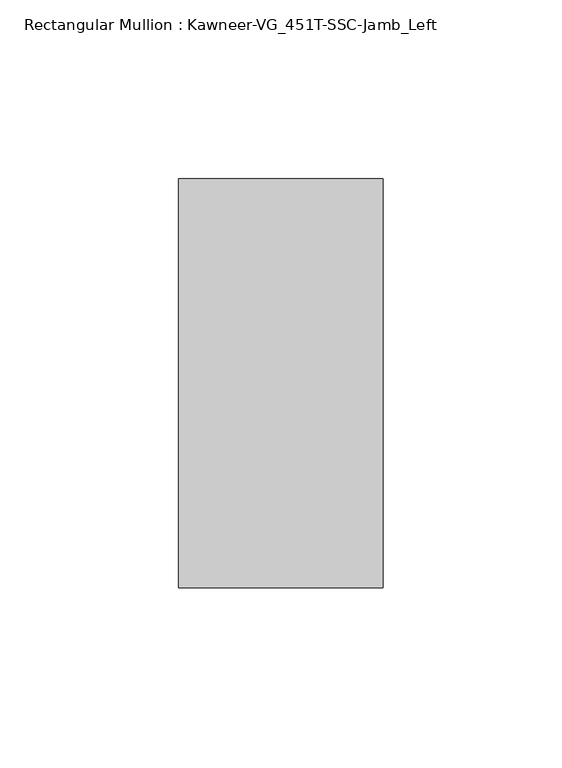
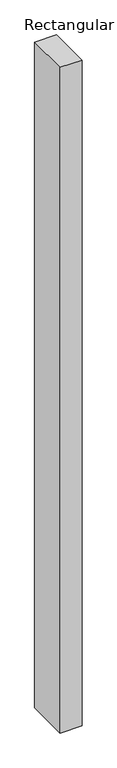
"""IFC4 building model written with IfcOpenShell, lengths in millimetres: member geometry, Rectangular Mullion : Kawneer-VG_451T-SSC-Jamb_Left."""

from ifc_helpers import new_model, si_unit, frame, origin, place, context, project, spatial, polyline, outline, extrude, source, transform, mapped, element, save


def rectangular_mullion_kawneer_vg_451t_ssc_jamb_left_6c2af602(model_context):
    return source(origin(), model_context, "Body", "SweptSolid", [
        extrude(outline(polyline([(-57.15, -57.15), (-57.15, 57.15), (0.0, 57.15), (0.0, -57.15), (-57.15, -57.15)])), frame((0.0, 0.0, -1828.8), z_axis=(0.0, 0.0, 1.0), x_axis=(1.0, 0.0, 0.0)), (0.0, 0.0, 1.0), 1828.8),
    ])


if __name__ == "__main__":
    model = new_model("IFC4")
    model_context = context("Model", 3, world=origin())
    ifc_project = project(units=[si_unit("LENGTHUNIT", "METRE", prefix="MILLI")], contexts=[model_context])
    site = spatial("IfcSite", under=ifc_project)
    building = spatial("IfcBuilding", under=site)
    placement = place(None, origin())
    rectangular_mullion_kawneer_vg_451t_ssc_jamb_left_shape = rectangular_mullion_kawneer_vg_451t_ssc_jamb_left_6c2af602(model_context)
    element("IfcMember", 1, ObjectType="Rectangular Mullion : Kawneer-VG_451T-SSC-Jamb_Left", at=placement, inside=building, context=model_context, shape_type="MappedRepresentation", body=[
        mapped(rectangular_mullion_kawneer_vg_451t_ssc_jamb_left_shape, transform((0.0, 0.0, 0.0), x_axis=(1.0, 0.0, 0.0), y_axis=(0.0, 1.0, 0.0), z_axis=(0.0, 0.0, 1.0))),
    ])
    save(model, "model.ifc")
